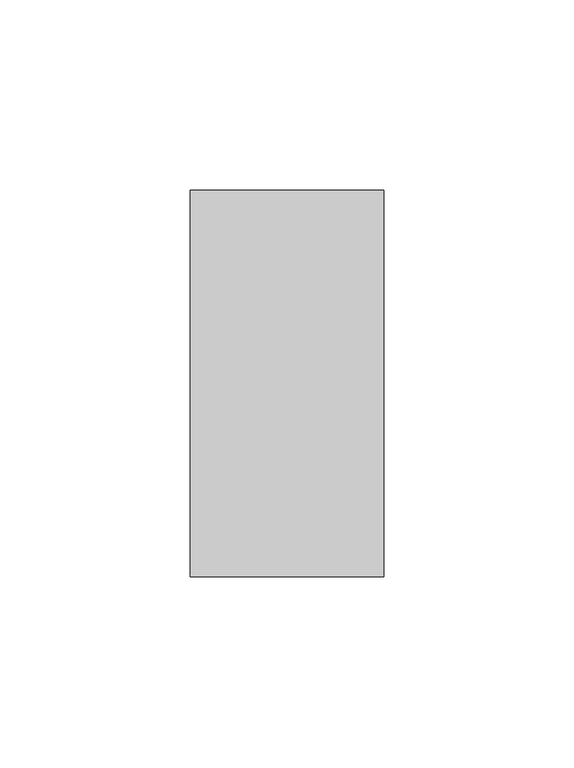
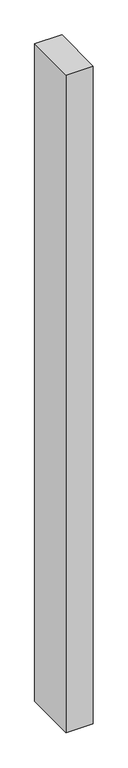
"""IFC4 building model written with IfcOpenShell, lengths in millimetres: proxy geometry."""

from ifc_helpers import new_model, si_unit, origin, origin_with_axes, place, context, project, spatial, polyline, outline, extrude, source, transform, mapped, element, save


def generic_models_ab5182e6(model_context):
    return source(origin(), model_context, "Body", "SweptSolid", [
        extrude(outline(polyline([(50.8, 0.0), (0.0, 0.0), (0.0, 101.6), (50.8, 101.6), (50.8, 0.0)])), origin_with_axes(), (0.0, 0.0, 1.0), 1300.0),
    ])


if __name__ == "__main__":
    model = new_model("IFC4")
    model_context = context("Model", 3, world=origin())
    ifc_project = project(units=[si_unit("LENGTHUNIT", "METRE", prefix="MILLI")], contexts=[model_context])
    site = spatial("IfcSite", under=ifc_project)
    building = spatial("IfcBuilding", under=site)
    placement = place(None, origin())
    generic_models_shape = generic_models_ab5182e6(model_context)
    element("IfcBuildingElementProxy", 1, Name="Generic Models", at=placement, inside=building, context=model_context, shape_type="MappedRepresentation", body=[
        mapped(generic_models_shape, transform((0.0, 0.0, 0.0), x_axis=(1.0, 0.0, 0.0), y_axis=(0.0, 1.0, 0.0), z_axis=(0.0, 0.0, 1.0))),
    ])
    save(model, "model.ifc")
